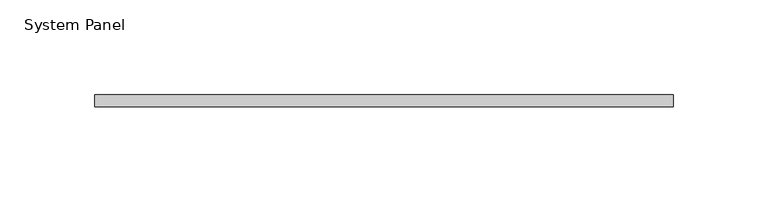
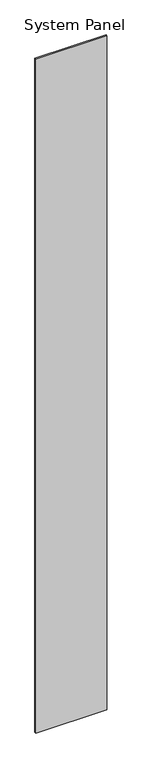
"""IFC4 building model written with IfcOpenShell, lengths in millimetres: plate geometry, System Panel."""

import ifcopenshell
import ifcopenshell.guid

model = None  # the IFC model being written
_history = None  # IfcOwnerHistory: only IFC2X3 demands one
_inside = {}  # id of a spatial element -> (the spatial element, [elements in it])
_under = {}  # id of a project, library or spatial element -> (it, [spatial elements below it])
_declared = {}  # id of a project -> (the project, [libraries it declares])
_typed = {}  # id of a type object -> (the type object, [elements of that type])
_made_of = {}  # id of a material, layer set ... -> (it, [elements and type objects made of it])


def new_model(schema):
    """Start an empty IFC model of exactly this schema.

    Asked for "IFC4X3", IfcOpenShell would pick the latest addendum, in which some entities
    have other attributes; the version numbers below select the first issue.
    IFC2X3 requires an IfcOwnerHistory on every rooted entity: one is made here for all.
    """
    global model, _history
    if schema == "IFC4X3":
        model = ifcopenshell.file(schema_version=(4, 3, 0, 0))
    else:
        model = ifcopenshell.file(schema=schema)
    _inside.clear()
    _under.clear()
    _declared.clear()
    _typed.clear()
    _made_of.clear()
    _history = None
    if model.schema == "IFC2X3":
        org = make("IfcOrganization", Name="unknown")
        user = make(
            "IfcPersonAndOrganization",
            ThePerson=make("IfcPerson", FamilyName="unknown"),
            TheOrganization=org,
        )
        app = make(
            "IfcApplication",
            ApplicationDeveloper=org,
            Version="unknown",
            ApplicationFullName="unknown",
            ApplicationIdentifier="unknown",
        )
        _history = make(
            "IfcOwnerHistory",
            OwningUser=user,
            OwningApplication=app,
            ChangeAction="ADDED",
            CreationDate=0,
        )
    return model


def make(cls, **values):
    """One entity of the class cls with the attributes given. An attribute that is None is left unset."""
    return model.create_entity(
        cls, **{name: value for name, value in values.items() if value is not None}
    )


def rooted(cls, **values):
    """An entity with a GlobalId (a new one), such as an element, a storey or a relation."""
    return make(cls, GlobalId=ifcopenshell.guid.new(), OwnerHistory=_history, **values)


def si_unit(unit_type, name, prefix=None):
    """IfcSIUnit, for example si_unit("LENGTHUNIT", "METRE", prefix="MILLI")."""
    return make("IfcSIUnit", UnitType=unit_type, Prefix=prefix, Name=name)


def assignment(units):
    """IfcUnitAssignment: the units of a project."""
    return None if units is None else make("IfcUnitAssignment", Units=units)


def point(xyz):
    """IfcCartesianPoint."""
    return None if xyz is None else make("IfcCartesianPoint", Coordinates=xyz)


def direction(xyz):
    """IfcDirection."""
    return None if xyz is None else make("IfcDirection", DirectionRatios=xyz)


def frame(location, z_axis=None, x_axis=None):
    """IfcAxis2Placement3D, a coordinate frame: its origin and axes. An axis left out is left unset."""
    return make(
        "IfcAxis2Placement3D",
        Location=point(location),
        Axis=direction(z_axis),
        RefDirection=direction(x_axis),
    )


def origin():
    """The frame at (0, 0, 0) with its axes left unset."""
    return frame((0.0, 0.0, 0.0))


def origin_with_axes():
    """The frame at (0, 0, 0) with the z axis (0, 0, 1) and the x axis (1, 0, 0) written out."""
    return frame((0.0, 0.0, 0.0), z_axis=(0.0, 0.0, 1.0), x_axis=(1.0, 0.0, 0.0))


def place(relative_to, where):
    """IfcLocalPlacement: puts the frame where relative to a parent placement (None: the world)."""
    return make(
        "IfcLocalPlacement", PlacementRelTo=relative_to, RelativePlacement=where
    )


def context(
    kind, dimensions, precision=None, world=None, true_north=None, identifier=None
):
    """IfcGeometricRepresentationContext, for example the 3D "Model" context."""
    return make(
        "IfcGeometricRepresentationContext",
        ContextIdentifier=identifier,
        ContextType=kind,
        CoordinateSpaceDimension=dimensions,
        Precision=precision,
        WorldCoordinateSystem=world,
        TrueNorth=true_north,
    )


def project(units=None, contexts=None):
    """IfcProject with its units and contexts."""
    return rooted(
        "IfcProject",
        Name="project",
        RepresentationContexts=contexts,
        UnitsInContext=assignment(units),
    )


def spatial(cls, under=None, at=None, **own):
    """A site, building, storey or space (cls), placed at a placement, below another one or the project."""
    s = rooted(cls, ObjectPlacement=at, **own)
    if under is not None:
        _under.setdefault(under.id(), (under, []))[1].append(s)
    return s


def polyline(points):
    """IfcPolyline through the points."""
    return make("IfcPolyline", Points=[point(p) for p in points])


def outline(outer, holes=None, kind="AREA"):
    """IfcArbitraryClosedProfileDef: a profile drawn as a closed curve; with holes, ...WithVoids."""
    if holes is None:
        return make("IfcArbitraryClosedProfileDef", ProfileType=kind, OuterCurve=outer)
    return make(
        "IfcArbitraryProfileDefWithVoids",
        ProfileType=kind,
        OuterCurve=outer,
        InnerCurves=holes,
    )


def extrude(swept, where, along, depth):
    """IfcExtrudedAreaSolid: the profile swept, set in the frame where, extruded along a direction by depth."""
    return make(
        "IfcExtrudedAreaSolid",
        SweptArea=swept,
        Position=where,
        ExtrudedDirection=direction(along),
        Depth=depth,
    )


def shape(context_of_items, identifier, shape_type, items):
    """IfcShapeRepresentation: the items that make up one representation, for example the "Body"."""
    return make(
        "IfcShapeRepresentation",
        ContextOfItems=context_of_items,
        RepresentationIdentifier=identifier,
        RepresentationType=shape_type,
        Items=items,
    )


def source(mapping_origin, context_of_items, identifier, shape_type, items):
    """IfcRepresentationMap: a shape defined once, which mapped items show again and again."""
    return make(
        "IfcRepresentationMap",
        MappingOrigin=mapping_origin,
        MappedRepresentation=shape(context_of_items, identifier, shape_type, items),
    )


def transform(
    local_origin,
    x_axis=None,
    y_axis=None,
    z_axis=None,
    scale=None,
    scale2=None,
    scale3=None,
    uniform=True,
):
    """IfcCartesianTransformationOperator3D, or its non-uniform kind. x_axis, y_axis, z_axis: its Axis1, 2, 3."""
    if uniform:
        return make(
            "IfcCartesianTransformationOperator3D",
            Axis1=direction(x_axis),
            Axis2=direction(y_axis),
            LocalOrigin=point(local_origin),
            Scale=scale,
            Axis3=direction(z_axis),
        )
    return make(
        "IfcCartesianTransformationOperator3DnonUniform",
        Axis1=direction(x_axis),
        Axis2=direction(y_axis),
        LocalOrigin=point(local_origin),
        Scale=scale,
        Axis3=direction(z_axis),
        Scale2=scale2,
        Scale3=scale3,
    )


def mapped(mapping_source, mapping_target):
    """IfcMappedItem: shows the shape of a source again, moved by a transform."""
    return make(
        "IfcMappedItem", MappingSource=mapping_source, MappingTarget=mapping_target
    )


def made_of(thing, what):
    """Note that an element or type object is made of a material, layer set ...; save() writes the relation."""
    if what is not None:
        _made_of.setdefault(what.id(), (what, []))[1].append(thing)
    return thing


def element(
    cls,
    number,
    at=None,
    inside=None,
    cuts=None,
    type_object=None,
    material=None,
    context=None,
    identifier="Body",
    shape_type=None,
    held_by="IfcProductDefinitionShape",
    body=None,
    shapes=None,
    **own,
):
    """One element of the class cls, such as IfcWall. Its Tag is "e" and its number.

    at: its placement. inside: the storey or other place that contains it. cuts: it is an
    opening in that element (IfcRelVoidsElement). A single representation is given by context,
    identifier, shape_type and body (its items); several are given by shapes. held_by: the class
    of the entity that holds the representations. save() writes the other relations.
    """
    e = rooted(cls, Tag="e%d" % number, ObjectPlacement=at, **own)
    if body is not None:
        shapes = [shape(context, identifier, shape_type, body)]
    if shapes is not None:
        e.Representation = make(held_by, Representations=shapes)
    if inside is not None:
        _inside.setdefault(inside.id(), (inside, []))[1].append(e)
    if cuts is not None:
        rooted(
            "IfcRelVoidsElement", RelatingBuildingElement=cuts, RelatedOpeningElement=e
        )
    if type_object is not None:
        _typed.setdefault(type_object.id(), (type_object, []))[1].append(e)
    return made_of(e, material)


def aggregate(whole, parts):
    """IfcRelAggregates: a whole, such as a stair, and the parts it consists of."""
    return rooted("IfcRelAggregates", RelatingObject=whole, RelatedObjects=parts)


def save(model, path):
    """Write the relations noted so far, then the file.

    IfcRelAggregates (storeys below a building ...), IfcRelContainedInSpatialStructure (elements
    in a storey), IfcRelDefinesByType, IfcRelAssociatesMaterial and IfcRelDeclares: one each for
    every whole, place, type object, material and project.
    """
    for whole, parts in _under.values():
        aggregate(whole, parts)
    for where, things in _inside.values():
        rooted(
            "IfcRelContainedInSpatialStructure",
            RelatedElements=things,
            RelatingStructure=where,
        )
    for kind, things in _typed.values():
        rooted("IfcRelDefinesByType", RelatedObjects=things, RelatingType=kind)
    for what, things in _made_of.values():
        rooted("IfcRelAssociatesMaterial", RelatedObjects=things, RelatingMaterial=what)
    for by, libraries in _declared.values():
        rooted("IfcRelDeclares", RelatingContext=by, RelatedDefinitions=libraries)
    model.write(path)


def system_panel_82d7d671(model_context):
    return source(origin(), model_context, "Body", "SweptSolid", [
        extrude(outline(polyline([(152.401121, -6.35), (-152.401121, -6.35), (-152.401121, 0.0), (152.401121, 0.0), (152.401121, -6.35)])), origin_with_axes(), (0.0, 0.0, 1.0), 3048.0),
    ])


if __name__ == "__main__":
    model = new_model("IFC4")
    model_context = context("Model", 3, world=origin())
    ifc_project = project(units=[si_unit("LENGTHUNIT", "METRE", prefix="MILLI")], contexts=[model_context])
    site = spatial("IfcSite", under=ifc_project)
    building = spatial("IfcBuilding", under=site)
    placement = place(None, origin())
    system_panel_shape = system_panel_82d7d671(model_context)
    element("IfcPlate", 1, ObjectType="System Panel", at=placement, inside=building, context=model_context, shape_type="MappedRepresentation", body=[
        mapped(system_panel_shape, transform((0.0, 0.0, 0.0), x_axis=(1.0, 0.0, 0.0), y_axis=(0.0, 1.0, 0.0), z_axis=(0.0, 0.0, 1.0))),
    ])
    save(model, "model.ifc")
